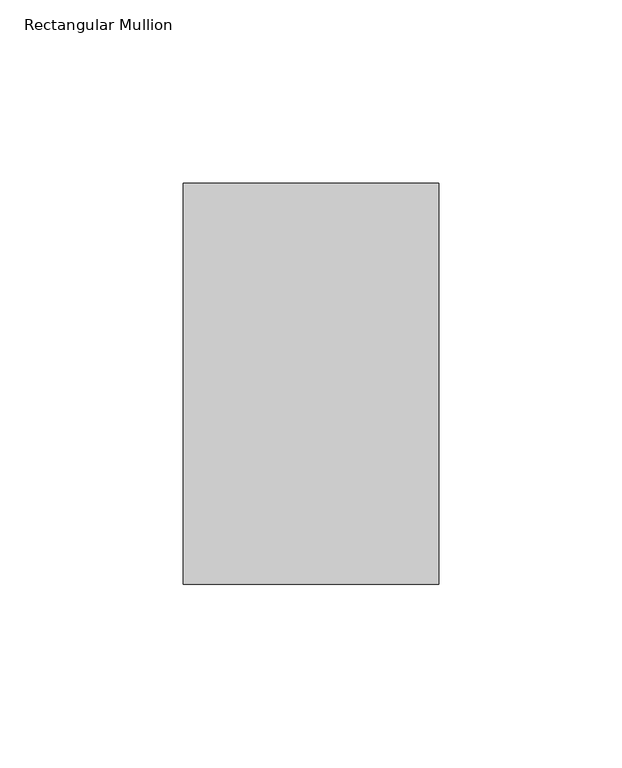
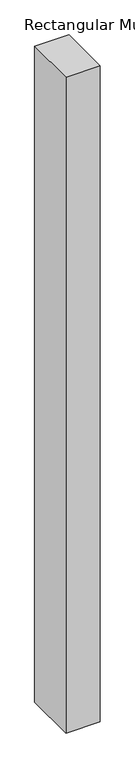
"""IFC4 building model written with IfcOpenShell, lengths in millimetres: member geometry, Rectangular Mullion."""

from ifc_helpers import new_model, si_unit, frame, origin, place, context, project, spatial, polyline, outline, extrude, source, transform, mapped, element, save


def rectangular_mullion_61437e38(model_context):
    return source(origin(), model_context, "Body", "SweptSolid", [
        extrude(outline(polyline([(-69.85, -74.6125), (-69.85, 34.925), (0.0, 34.925), (0.0, -74.6125), (-69.85, -74.6125)])), frame((0.0, 0.0, -1408.90625), z_axis=(0.0, 0.0, 1.0), x_axis=(1.0, 0.0, 0.0)), (0.0, 0.0, 1.0), 1408.90625),
    ])


if __name__ == "__main__":
    model = new_model("IFC4")
    model_context = context("Model", 3, world=origin())
    ifc_project = project(units=[si_unit("LENGTHUNIT", "METRE", prefix="MILLI")], contexts=[model_context])
    site = spatial("IfcSite", under=ifc_project)
    building = spatial("IfcBuilding", under=site)
    placement = place(None, origin())
    rectangular_mullion_shape = rectangular_mullion_61437e38(model_context)
    element("IfcMember", 1, ObjectType="Rectangular Mullion", at=placement, inside=building, context=model_context, shape_type="MappedRepresentation", body=[
        mapped(rectangular_mullion_shape, transform((0.0, 0.0, 0.0), x_axis=(1.0, 0.0, 0.0), y_axis=(0.0, 1.0, 0.0), z_axis=(0.0, 0.0, 1.0))),
    ])
    save(model, "model.ifc")
